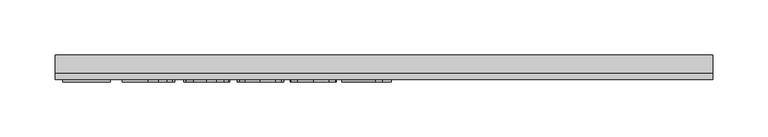
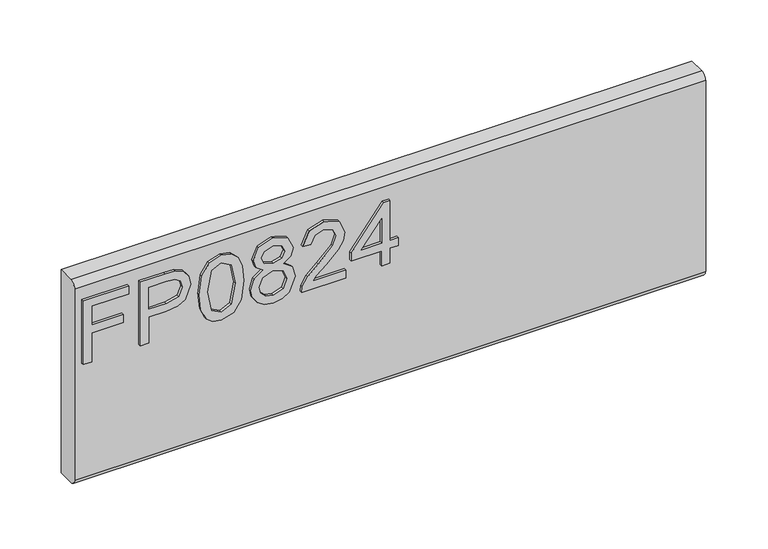
"""IFC4 building model written with IfcOpenShell, lengths in millimetres: furniture geometry."""

from ifc_helpers import new_model, si_unit, frame, origin, place, context, project, spatial, polyline, circle_curve, outline, extrude, source, transform, mapped, element, save
from ifc_brep_helpers import plane_surface, cylinder_surface, advanced_brep


def furniture_8e9b7e62(model_context):
    return source(origin(), model_context, "Body", "SolidModel", [
        extrude(outline(polyline([(273.05, -291.4729953), (273.05, -283.4992757), (301.9547336, -283.4992757), (301.9547336, -253.5978271), (309.9284532, -253.5978271), (309.9284532, -283.4992757), (328.8660373, -283.4992757), (328.8660373, -248.6142524), (336.8397569, -248.6142524), (336.8397569, -291.4729953), (273.05, -291.4729953)])), frame((0.0, -15.0812439, 0.0), z_axis=(0.0, 1.0, 0.0), x_axis=(0.0, 0.0, 1.0)), (0.0, 0.0, 1.0), 2.38125),
        extrude(outline(polyline([(273.05, -237.6503879), (273.05, -229.6766683), (298.9645888, -229.6766683), (298.9645888, -213.4644766), (300.374006, -202.1365776), (304.6022577, -194.9395948), (318.3849567, -189.8080702), (327.082852, -191.7080581), (333.2500257, -196.730567), (336.2323838, -204.4784684), (336.8397569, -214.0095551), (336.8397569, -237.6503879), (273.05, -237.6503879)]), holes=[polyline([(306.9383084, -229.6766683), (328.8660373, -229.6766683), (328.8660373, -213.1841506), (328.3209588, -205.2104309), (324.7078671, -199.8297276), (318.1046306, -197.7817898), (309.8661585, -201.2547185), (306.9383084, -212.9972665), (306.9383084, -229.6766683)])]), frame((0.0, -15.0812439, 0.0), z_axis=(0.0, 1.0, 0.0), x_axis=(0.0, 0.0, 1.0)), (0.0, 0.0, 1.0), 2.38125),
        extrude(outline(polyline([(304.4309473, -181.8343506), (288.9156775, -180.2458361), (278.1270168, -175.4802928), (273.571718, -169.1885296), (272.053285, -160.9033366), (275.5495742, -149.2308701), (286.1552443, -142.2927996), (304.4309473, -139.9723226), (319.4206058, -141.420674), (328.8582505, -145.1583551), (334.7840324, -151.5902813), (336.8397569, -160.9033366), (333.3668283, -172.5290821), (322.7845188, -179.4905131), (304.4309473, -181.8343506)]), holes=[polyline([(304.446521, -173.860631), (324.5988514, -169.9983605), (328.8660373, -160.9967786), (324.0226256, -151.5591339), (304.446521, -147.9460422), (284.6601718, -151.6837233), (280.0270047, -160.9033366), (284.6445982, -170.1229499), (304.446521, -173.860631)])]), frame((0.0, -15.0812439, 0.0), z_axis=(0.0, 1.0, 0.0), x_axis=(0.0, 0.0, 1.0)), (0.0, 0.0, 1.0), 2.38125),
        extrude(outline(polyline([(308.1842021, -121.3773593), (302.3907964, -129.9740257), (291.8318474, -132.9953179), (284.0742125, -131.5547533), (277.7143145, -127.2330596), (273.4685424, -120.5597415), (272.053285, -112.0643039), (273.4627023, -103.5688663), (277.690954, -96.8955482), (291.613816, -91.1332899), (301.9313731, -94.0377796), (308.1842021, -102.5176435), (313.113269, -95.4549837), (320.6275653, -93.1267198), (332.1209346, -98.3594733), (336.8397569, -112.1733196), (332.2299503, -125.8625765), (320.8455967, -131.001888), (313.1366295, -128.6424768), (308.1842021, -121.3773593)]), holes=[polyline([(320.6119916, -123.0281684), (326.4365446, -120.1548261), (328.8660373, -112.0643039), (326.3820368, -103.9971423), (320.2537972, -101.1004395), (314.3358022, -103.9037003), (311.9218831, -111.9708619), (314.3513758, -120.2015471), (320.6119916, -123.0281684)]), polyline([(292.1121735, -125.0215983), (300.5686769, -121.6498985), (303.9481635, -112.2667617), (300.5219559, -102.6110856), (291.8629947, -99.1070095), (283.3675571, -102.5020699), (280.0270047, -112.0020092), (281.6155191, -118.9790139), (286.1085232, -123.6900494), (292.1121735, -125.0215983)])]), frame((0.0, -15.0812439, 0.0), z_axis=(0.0, 1.0, 0.0), x_axis=(0.0, 0.0, 1.0)), (0.0, 0.0, 1.0), 2.38125),
        extrude(outline(polyline([(281.0237196, -43.2909722), (281.0237196, -74.6096249), (285.0806609, -71.0121068), (292.750694, -61.8392145), (303.6756243, -50.4159268), (311.4936072, -45.7048912), (319.0546245, -44.2876872), (331.7315928, -49.5438012), (336.8397569, -63.8170708), (332.245524, -78.0436193), (318.8988878, -84.1562853), (317.9021729, -76.1825656), (325.9537608, -72.8264395), (328.8660373, -63.9883812), (325.8836793, -55.5085172), (318.5718407, -52.2614068), (309.5391115, -55.7031881), (296.25477, -69.4703134), (287.0117962, -79.4530366), (278.5475059, -84.2964483), (273.05, -85.1530002), (273.05, -43.2909722), (281.0237196, -43.2909722)])), frame((0.0, -15.0812439, 0.0), z_axis=(0.0, 1.0, 0.0), x_axis=(0.0, 0.0, 1.0)), (0.0, 0.0, 1.0), 2.38125),
        extrude(outline(polyline([(273.05, -9.4026638), (273.05, -1.4289442), (288.0007243, -1.4289442), (288.0007243, 6.5447754), (295.9744439, 6.5447754), (295.9744439, -1.4289442), (335.843042, -1.4289442), (335.843042, -7.4092339), (295.9744439, -38.3073975), (288.0007243, -38.3073975), (288.0007243, -9.4026638), (273.05, -9.4026638)]), holes=[polyline([(295.9744439, -9.4026638), (295.9744439, -28.4959846), (320.6119916, -9.4026638), (295.9744439, -9.4026638)])]), frame((0.0, -15.0812439, 0.0), z_axis=(0.0, 1.0, 0.0), x_axis=(0.0, 0.0, 1.0)), (0.0, 0.0, 1.0), 2.38125),
        advanced_brep(
        [(298.45, 9.5250061, 355.6), (298.45, -6.7309939, 355.6), (298.45, -12.6999939, 349.631), (298.45, -12.6999939, 158.369), (298.45, -6.7309939, 152.4), (298.45, 9.5250061, 152.4), (-298.45, 9.5250061, 355.6), (-298.45, 9.5250061, 152.4), (-298.45, -6.7309939, 152.4), (-298.45, -12.6999939, 158.369), (-298.45, -12.6999939, 349.6310121), (-298.45, -6.7309939, 355.6)],
        [
            (0, 1),
            (1, 2, circle_curve(frame((298.45, -6.7309939, 349.631), z_axis=(1.0, 0.0, 0.0), x_axis=(0.0, 1.0, 0.0)), 5.969)),
            (2, 3),
            (3, 4, circle_curve(frame((298.45, -6.7309939, 158.369), z_axis=(1.0, 0.0, 0.0), x_axis=(0.0, 1.0, 0.0)), 5.969)),
            (4, 5),
            (5, 0),
            (6, 7),
            (7, 8),
            (8, 9, circle_curve(frame((-298.45, -6.7309939, 158.369), z_axis=(-1.0, 0.0, 0.0), x_axis=(0.0, 1.0, 0.0)), 5.969)),
            (9, 10),
            (10, 11, circle_curve(frame((-298.45, -6.7309939, 349.631), z_axis=(-1.0, 0.0, 0.0), x_axis=(0.0, 1.0, 0.0)), 5.969)),
            (11, 6),
            (0, 6),
            (11, 1),
            (10, 2),
            (9, 3),
            (8, 4),
            (7, 5),
        ],
        [
            plane_surface(frame((298.45, -6.7309939, 355.6), z_axis=(1.0, 0.0, 0.0), x_axis=(0.0, -1.0, 0.0))),
            plane_surface(frame((-298.45, -6.7309939, 355.6), z_axis=(-1.0, 0.0, 0.0), x_axis=(0.0, 1.0, 0.0))),
            plane_surface(frame((298.45, 9.5250061, 355.6), z_axis=(0.0, 0.0, 1.0), x_axis=(-1.0, 0.0, 0.0))),
            cylinder_surface(frame((-298.45, -6.7309939, 349.631), z_axis=(1.0, 0.0, 0.0), x_axis=(0.0, 1.0, 0.0)), 5.969),
            plane_surface(frame((298.45, -12.6999939, 349.6310121), z_axis=(0.0, -1.0, 0.0), x_axis=(-1.0, 0.0, 0.0))),
            cylinder_surface(frame((-298.45, -6.7309939, 158.369), z_axis=(1.0, 0.0, 0.0), x_axis=(0.0, 1.0, 0.0)), 5.969),
            plane_surface(frame((298.45, -6.7309939, 152.4), z_axis=(0.0, 0.0, -1.0), x_axis=(-1.0, 0.0, 0.0))),
            plane_surface(frame((298.45, 9.5250061, 152.4), z_axis=(0.0, 1.0, 0.0), x_axis=(-1.0, 0.0, 0.0))),
        ],
        [
            (0, [[1, 2, 3, 4, 5, 6]]),
            (1, [[7, 8, 9, 10, 11, 12]]),
            (2, [[-1, 13, -12, 14]]),
            (3, [[-2, -14, -11, 15]]),
            (4, [[-3, -15, -10, 16]]),
            (5, [[-4, -16, -9, 17]]),
            (6, [[-5, -17, -8, 18]]),
            (7, [[-6, -18, -7, -13]]),
        ],
    ),
    ])


if __name__ == "__main__":
    model = new_model("IFC4")
    model_context = context("Model", 3, world=origin())
    ifc_project = project(units=[si_unit("LENGTHUNIT", "METRE", prefix="MILLI")], contexts=[model_context])
    site = spatial("IfcSite", under=ifc_project)
    building = spatial("IfcBuilding", under=site)
    placement = place(None, origin())
    furniture_shape = furniture_8e9b7e62(model_context)
    element("IfcFurniture", 1, at=placement, inside=building, context=model_context, shape_type="MappedRepresentation", body=[
        mapped(furniture_shape, transform((0.0, 0.0, 0.0), x_axis=(1.0, 0.0, 0.0), y_axis=(0.0, 1.0, 0.0), z_axis=(0.0, 0.0, 1.0))),
    ])
    save(model, "model.ifc")
